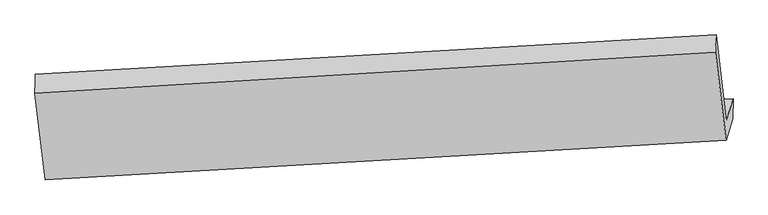
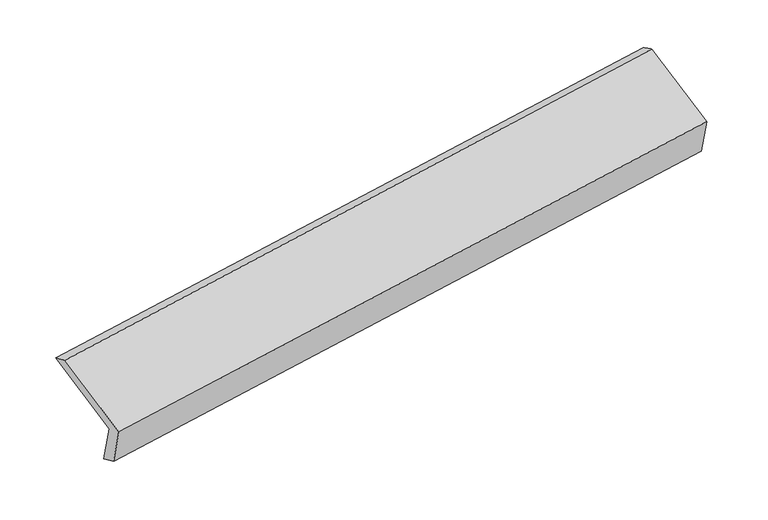
"""IFC4 building model written with IfcOpenShell, lengths in millimetres: proxy geometry."""

from ifc_helpers import new_model, si_unit, frame, origin, place, context, project, spatial, source, transform, mapped, element, save
from ifc_brep_helpers import plane_surface, spline_surface, advanced_brep


def generic_models_4a39ec9b(model_context):
    return source(origin(), model_context, "Body", "AdvancedBrep", [
        advanced_brep(
        [(-5208.9838025, -1675.7928589, 1199.9012041), (-5256.3784197, -1831.6560121, 1559.7773832), (-446.3785053, -1552.6214997, 2303.1135571), (-398.983888, -1396.7583464, 1943.237378), (-5211.413815, -1815.9551927, 1265.3010974), (-401.4139006, -1536.9206803, 2008.6372712), (-5258.0165288, -1969.2140721, 1619.164206), (-448.0166144, -1690.1795597, 2362.5003798), (-5331.4808071, -1358.1794277, 1874.129609), (-522.5836968, -1069.9724095, 2621.293179), (-5329.2905492, -1225.2138318, 1812.8264965), (-519.2906348, -946.1793194, 2556.1626703)],
        [
            (0, 1),
            (1, 2),
            (2, 3),
            (3, 0),
            (4, 0),
            (3, 5),
            (5, 4),
            (6, 4),
            (5, 7),
            (7, 6),
            (8, 6),
            (7, 9),
            (9, 8),
            (10, 8),
            (9, 11),
            (11, 10),
            (1, 10),
            (11, 2),
        ],
        [
            plane_surface(frame((-5232.6811111, -1753.7244355, 1379.8392937), z_axis=(-0.11230400713699282, 0.91713675905379, 0.3824238161690309), x_axis=(-0.11997659342482046, -0.3945581004599313, 0.9110046774806516))),
            plane_surface(frame((-5210.1988087, -1745.8740258, 1232.6011507), z_axis=(0.16235745536077045, -0.4195366045672786, -0.8931008308790974), x_axis=(0.015709070639383368, 0.9060941012668349, -0.4227844660688157))),
            plane_surface(frame((-5234.7151719, -1892.5846324, 1442.2326517), z_axis=(0.11230400713699265, -0.9171367590537904, -0.38242381616903004), x_axis=(0.11997659342482045, 0.39455810045993045, -0.9110046774806521))),
            plane_surface(frame((-5294.748668, -1663.6967499, 1746.6469075), z_axis=(-0.1179525126573571, -0.3944453826371334, 0.911317751870368), x_axis=(0.11028041078696547, -0.9172505765232467, -0.38273961235339843))),
            spline_surface(1, 1, [[(-5329.2905492, -1225.2138318, 1812.8264965), (-519.2906348, -946.1793194, 2556.1626703)], [(-5331.4808071, -1358.1794277, 1874.129609), (-522.5836968, -1069.9724095, 2621.293179)]], [2, 2], [2, 2], [0.0, 1.0], [0.0, 1.0]),
            plane_surface(frame((-5292.8344845, -1528.434922, 1686.3019399), z_axis=(0.11795251265735501, 0.394445382637149, -0.9113177518703615), x_axis=(-0.1102804107869661, 0.9172505765232402, 0.3827396123534142))),
            plane_surface(frame((-456.1112066, -1365.4386358, 2299.1574059), z_axis=(0.9866325800554295, 0.054546175202516235, 0.15356062888625763), x_axis=(0.11028041078696547, -0.9172505765232467, -0.38273961235339843))),
            plane_surface(frame((-5265.9273204, -1646.0018992, 1555.1833327), z_axis=(-0.9866325800554303, -0.054546175202509185, -0.1535606288862552), x_axis=(0.11997659342482081, 0.3945581004599313, -0.9110046774806516))),
        ],
        [
            (0, [[1, 2, 3, 4]]),
            (1, [[5, -4, 6, 7]]),
            (2, [[8, -7, 9, 10]]),
            (3, [[11, -10, 12, 13]]),
            (4, [[14, -13, 15, 16]]),
            (5, [[17, -16, 18, -2]]),
            (6, [[-12, -9, -6, -3, -18, -15]]),
            (7, [[-1, -5, -8, -11, -14, -17]]),
        ],
    ),
    ])


if __name__ == "__main__":
    model = new_model("IFC4")
    model_context = context("Model", 3, world=origin())
    ifc_project = project(units=[si_unit("LENGTHUNIT", "METRE", prefix="MILLI")], contexts=[model_context])
    site = spatial("IfcSite", under=ifc_project)
    building = spatial("IfcBuilding", under=site)
    placement = place(None, origin())
    generic_models_shape = generic_models_4a39ec9b(model_context)
    element("IfcBuildingElementProxy", 1, Name="Generic Models", at=placement, inside=building, context=model_context, shape_type="MappedRepresentation", body=[
        mapped(generic_models_shape, transform((0.0, 0.0, 0.0), x_axis=(1.0, 0.0, 0.0), y_axis=(0.0, 1.0, 0.0), z_axis=(0.0, 0.0, 1.0))),
    ])
    save(model, "model.ifc")
